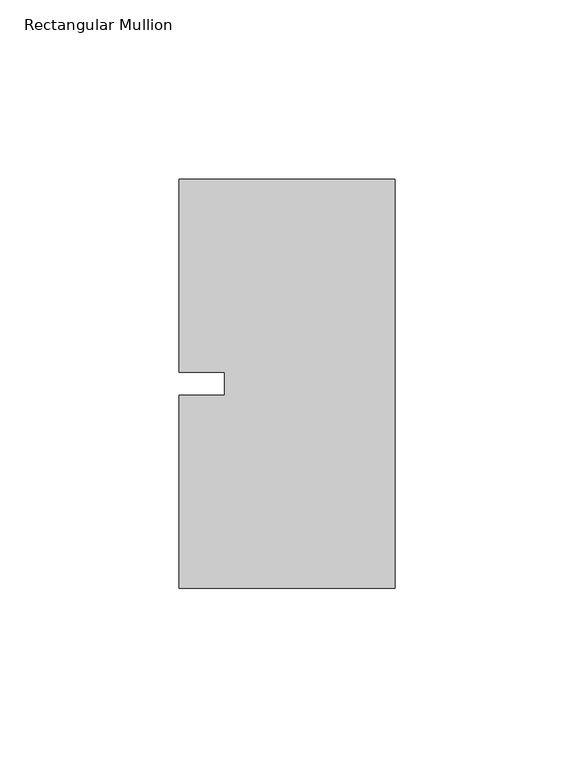
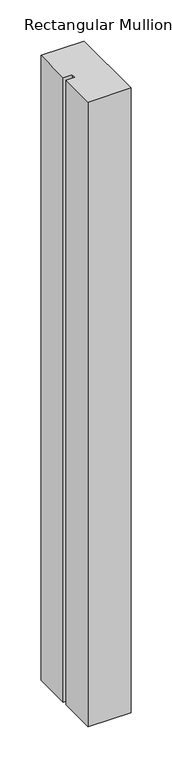
"""IFC4 building model written with IfcOpenShell, lengths in millimetres: member geometry, Rectangular Mullion."""

import ifcopenshell
import ifcopenshell.guid

model = None  # the IFC model being written
_history = None  # IfcOwnerHistory: only IFC2X3 demands one
_inside = {}  # id of a spatial element -> (the spatial element, [elements in it])
_under = {}  # id of a project, library or spatial element -> (it, [spatial elements below it])
_declared = {}  # id of a project -> (the project, [libraries it declares])
_typed = {}  # id of a type object -> (the type object, [elements of that type])
_made_of = {}  # id of a material, layer set ... -> (it, [elements and type objects made of it])


def new_model(schema):
    """Start an empty IFC model of exactly this schema.

    Asked for "IFC4X3", IfcOpenShell would pick the latest addendum, in which some entities
    have other attributes; the version numbers below select the first issue.
    IFC2X3 requires an IfcOwnerHistory on every rooted entity: one is made here for all.
    """
    global model, _history
    if schema == "IFC4X3":
        model = ifcopenshell.file(schema_version=(4, 3, 0, 0))
    else:
        model = ifcopenshell.file(schema=schema)
    _inside.clear()
    _under.clear()
    _declared.clear()
    _typed.clear()
    _made_of.clear()
    _history = None
    if model.schema == "IFC2X3":
        org = make("IfcOrganization", Name="unknown")
        user = make(
            "IfcPersonAndOrganization",
            ThePerson=make("IfcPerson", FamilyName="unknown"),
            TheOrganization=org,
        )
        app = make(
            "IfcApplication",
            ApplicationDeveloper=org,
            Version="unknown",
            ApplicationFullName="unknown",
            ApplicationIdentifier="unknown",
        )
        _history = make(
            "IfcOwnerHistory",
            OwningUser=user,
            OwningApplication=app,
            ChangeAction="ADDED",
            CreationDate=0,
        )
    return model


def make(cls, **values):
    """One entity of the class cls with the attributes given. An attribute that is None is left unset."""
    return model.create_entity(
        cls, **{name: value for name, value in values.items() if value is not None}
    )


def rooted(cls, **values):
    """An entity with a GlobalId (a new one), such as an element, a storey or a relation."""
    return make(cls, GlobalId=ifcopenshell.guid.new(), OwnerHistory=_history, **values)


def si_unit(unit_type, name, prefix=None):
    """IfcSIUnit, for example si_unit("LENGTHUNIT", "METRE", prefix="MILLI")."""
    return make("IfcSIUnit", UnitType=unit_type, Prefix=prefix, Name=name)


def assignment(units):
    """IfcUnitAssignment: the units of a project."""
    return None if units is None else make("IfcUnitAssignment", Units=units)


def point(xyz):
    """IfcCartesianPoint."""
    return None if xyz is None else make("IfcCartesianPoint", Coordinates=xyz)


def direction(xyz):
    """IfcDirection."""
    return None if xyz is None else make("IfcDirection", DirectionRatios=xyz)


def frame(location, z_axis=None, x_axis=None):
    """IfcAxis2Placement3D, a coordinate frame: its origin and axes. An axis left out is left unset."""
    return make(
        "IfcAxis2Placement3D",
        Location=point(location),
        Axis=direction(z_axis),
        RefDirection=direction(x_axis),
    )


def origin():
    """The frame at (0, 0, 0) with its axes left unset."""
    return frame((0.0, 0.0, 0.0))


def place(relative_to, where):
    """IfcLocalPlacement: puts the frame where relative to a parent placement (None: the world)."""
    return make(
        "IfcLocalPlacement", PlacementRelTo=relative_to, RelativePlacement=where
    )


def context(
    kind, dimensions, precision=None, world=None, true_north=None, identifier=None
):
    """IfcGeometricRepresentationContext, for example the 3D "Model" context."""
    return make(
        "IfcGeometricRepresentationContext",
        ContextIdentifier=identifier,
        ContextType=kind,
        CoordinateSpaceDimension=dimensions,
        Precision=precision,
        WorldCoordinateSystem=world,
        TrueNorth=true_north,
    )


def project(units=None, contexts=None):
    """IfcProject with its units and contexts."""
    return rooted(
        "IfcProject",
        Name="project",
        RepresentationContexts=contexts,
        UnitsInContext=assignment(units),
    )


def spatial(cls, under=None, at=None, **own):
    """A site, building, storey or space (cls), placed at a placement, below another one or the project."""
    s = rooted(cls, ObjectPlacement=at, **own)
    if under is not None:
        _under.setdefault(under.id(), (under, []))[1].append(s)
    return s


def polyline(points):
    """IfcPolyline through the points."""
    return make("IfcPolyline", Points=[point(p) for p in points])


def outline(outer, holes=None, kind="AREA"):
    """IfcArbitraryClosedProfileDef: a profile drawn as a closed curve; with holes, ...WithVoids."""
    if holes is None:
        return make("IfcArbitraryClosedProfileDef", ProfileType=kind, OuterCurve=outer)
    return make(
        "IfcArbitraryProfileDefWithVoids",
        ProfileType=kind,
        OuterCurve=outer,
        InnerCurves=holes,
    )


def extrude(swept, where, along, depth):
    """IfcExtrudedAreaSolid: the profile swept, set in the frame where, extruded along a direction by depth."""
    return make(
        "IfcExtrudedAreaSolid",
        SweptArea=swept,
        Position=where,
        ExtrudedDirection=direction(along),
        Depth=depth,
    )


def shape(context_of_items, identifier, shape_type, items):
    """IfcShapeRepresentation: the items that make up one representation, for example the "Body"."""
    return make(
        "IfcShapeRepresentation",
        ContextOfItems=context_of_items,
        RepresentationIdentifier=identifier,
        RepresentationType=shape_type,
        Items=items,
    )


def source(mapping_origin, context_of_items, identifier, shape_type, items):
    """IfcRepresentationMap: a shape defined once, which mapped items show again and again."""
    return make(
        "IfcRepresentationMap",
        MappingOrigin=mapping_origin,
        MappedRepresentation=shape(context_of_items, identifier, shape_type, items),
    )


def transform(
    local_origin,
    x_axis=None,
    y_axis=None,
    z_axis=None,
    scale=None,
    scale2=None,
    scale3=None,
    uniform=True,
):
    """IfcCartesianTransformationOperator3D, or its non-uniform kind. x_axis, y_axis, z_axis: its Axis1, 2, 3."""
    if uniform:
        return make(
            "IfcCartesianTransformationOperator3D",
            Axis1=direction(x_axis),
            Axis2=direction(y_axis),
            LocalOrigin=point(local_origin),
            Scale=scale,
            Axis3=direction(z_axis),
        )
    return make(
        "IfcCartesianTransformationOperator3DnonUniform",
        Axis1=direction(x_axis),
        Axis2=direction(y_axis),
        LocalOrigin=point(local_origin),
        Scale=scale,
        Axis3=direction(z_axis),
        Scale2=scale2,
        Scale3=scale3,
    )


def mapped(mapping_source, mapping_target):
    """IfcMappedItem: shows the shape of a source again, moved by a transform."""
    return make(
        "IfcMappedItem", MappingSource=mapping_source, MappingTarget=mapping_target
    )


def made_of(thing, what):
    """Note that an element or type object is made of a material, layer set ...; save() writes the relation."""
    if what is not None:
        _made_of.setdefault(what.id(), (what, []))[1].append(thing)
    return thing


def element(
    cls,
    number,
    at=None,
    inside=None,
    cuts=None,
    type_object=None,
    material=None,
    context=None,
    identifier="Body",
    shape_type=None,
    held_by="IfcProductDefinitionShape",
    body=None,
    shapes=None,
    **own,
):
    """One element of the class cls, such as IfcWall. Its Tag is "e" and its number.

    at: its placement. inside: the storey or other place that contains it. cuts: it is an
    opening in that element (IfcRelVoidsElement). A single representation is given by context,
    identifier, shape_type and body (its items); several are given by shapes. held_by: the class
    of the entity that holds the representations. save() writes the other relations.
    """
    e = rooted(cls, Tag="e%d" % number, ObjectPlacement=at, **own)
    if body is not None:
        shapes = [shape(context, identifier, shape_type, body)]
    if shapes is not None:
        e.Representation = make(held_by, Representations=shapes)
    if inside is not None:
        _inside.setdefault(inside.id(), (inside, []))[1].append(e)
    if cuts is not None:
        rooted(
            "IfcRelVoidsElement", RelatingBuildingElement=cuts, RelatedOpeningElement=e
        )
    if type_object is not None:
        _typed.setdefault(type_object.id(), (type_object, []))[1].append(e)
    return made_of(e, material)


def aggregate(whole, parts):
    """IfcRelAggregates: a whole, such as a stair, and the parts it consists of."""
    return rooted("IfcRelAggregates", RelatingObject=whole, RelatedObjects=parts)


def save(model, path):
    """Write the relations noted so far, then the file.

    IfcRelAggregates (storeys below a building ...), IfcRelContainedInSpatialStructure (elements
    in a storey), IfcRelDefinesByType, IfcRelAssociatesMaterial and IfcRelDeclares: one each for
    every whole, place, type object, material and project.
    """
    for whole, parts in _under.values():
        aggregate(whole, parts)
    for where, things in _inside.values():
        rooted(
            "IfcRelContainedInSpatialStructure",
            RelatedElements=things,
            RelatingStructure=where,
        )
    for kind, things in _typed.values():
        rooted("IfcRelDefinesByType", RelatedObjects=things, RelatingType=kind)
    for what, things in _made_of.values():
        rooted("IfcRelAssociatesMaterial", RelatedObjects=things, RelatingMaterial=what)
    for by, libraries in _declared.values():
        rooted("IfcRelDeclares", RelatingContext=by, RelatedDefinitions=libraries)
    model.write(path)


def rectangular_mullion_1017dfd6(model_context):
    return source(origin(), model_context, "Body", "SweptSolid", [
        extrude(outline(polyline([(-60.325, 57.15), (0.0, 57.15), (0.0, -57.15), (-60.325, -57.15), (-60.325, -3.175), (-47.6232296, -3.175), (-47.6232296, 3.175), (-60.325, 3.175), (-60.325, 57.15)])), frame((0.0, 0.0, -925.9405973), z_axis=(0.0, 0.0, 1.0), x_axis=(1.0, 0.0, 0.0)), (0.0, 0.0, 1.0), 925.9405973),
    ])


if __name__ == "__main__":
    model = new_model("IFC4")
    model_context = context("Model", 3, world=origin())
    ifc_project = project(units=[si_unit("LENGTHUNIT", "METRE", prefix="MILLI")], contexts=[model_context])
    site = spatial("IfcSite", under=ifc_project)
    building = spatial("IfcBuilding", under=site)
    placement = place(None, origin())
    rectangular_mullion_shape = rectangular_mullion_1017dfd6(model_context)
    element("IfcMember", 1, ObjectType="Rectangular Mullion", at=placement, inside=building, context=model_context, shape_type="MappedRepresentation", body=[
        mapped(rectangular_mullion_shape, transform((0.0, 0.0, 0.0), x_axis=(1.0, 0.0, 0.0), y_axis=(0.0, 1.0, 0.0), z_axis=(0.0, 0.0, 1.0))),
    ])
    save(model, "model.ifc")
